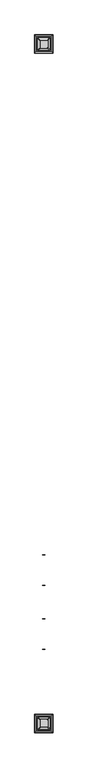
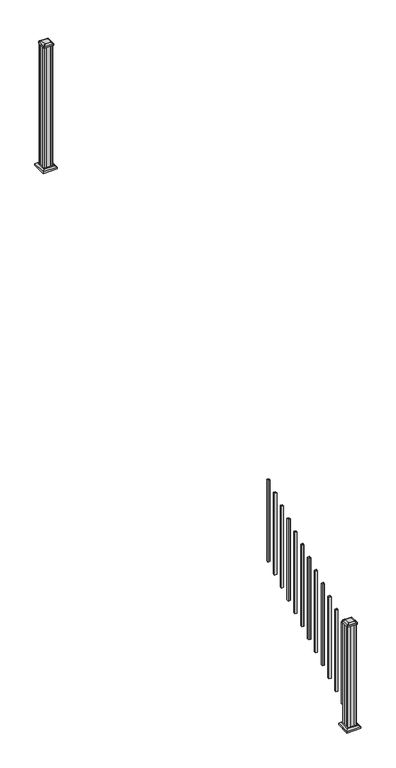
"""IFC4 building model written with IfcOpenShell, lengths in millimetres: railing geometry."""

from ifc_helpers import new_model, si_unit, point, frame, frame_2d, origin, place, context, project, spatial, polyline, circle_curve, trimmed, segment, composite_curve, outline, extrude, faceted_brep, source, transform, mapped, element, save
from ifc_brep_helpers import plane_surface, extruded_surface, advanced_brep


def railing_3543c6df(model_context):
    return source(origin(), model_context, "Body", "SolidModel", [
        extrude(outline(polyline([(9747.0692659, 3058.5055319), (9747.0692659, 3077.5555319), (9766.1192659, 3077.5555319), (9766.1192659, 3058.5055319), (9747.0692659, 3058.5055319)]), holes=[polyline([(9747.4661409, 3058.9024069), (9765.7223909, 3058.9024069), (9765.7223909, 3077.1586569), (9747.4661409, 3077.1586569), (9747.4661409, 3058.9024069)])]), frame((0.0, 0.0, 987.0681003), z_axis=(0.0, 0.0, 1.0), x_axis=(1.0, 0.0, 0.0)), (0.0, 0.0, 1.0), 812.8041219),
        extrude(outline(polyline([(9747.0692659, 2947.3805319), (9747.0692659, 2966.4305319), (9766.1192659, 2966.4305319), (9766.1192659, 2947.3805319), (9747.0692659, 2947.3805319)]), holes=[polyline([(9747.4661409, 2947.7774069), (9765.7223909, 2947.7774069), (9765.7223909, 2966.0336569), (9747.4661409, 2966.0336569), (9747.4661409, 2947.7774069)])]), frame((0.0, 0.0, 925.3319892), z_axis=(0.0, 0.0, 1.0), x_axis=(1.0, 0.0, 0.0)), (0.0, 0.0, 1.0), 812.8041219),
        extrude(outline(polyline([(9747.0692659, 2836.2555319), (9747.0692659, 2855.3055319), (9766.1192659, 2855.3055319), (9766.1192659, 2836.2555319), (9747.0692659, 2836.2555319)]), holes=[polyline([(9747.4661409, 2836.6524069), (9765.7223909, 2836.6524069), (9765.7223909, 2854.9086569), (9747.4661409, 2854.9086569), (9747.4661409, 2836.6524069)])]), frame((0.0, 0.0, 863.5958781), z_axis=(0.0, 0.0, 1.0), x_axis=(1.0, 0.0, 0.0)), (0.0, 0.0, 1.0), 812.8041219),
        extrude(outline(polyline([(9747.0692659, 2725.1305319), (9747.0692659, 2744.1805319), (9766.1192659, 2744.1805319), (9766.1192659, 2725.1305319), (9747.0692659, 2725.1305319)]), holes=[polyline([(9747.4661409, 2725.5274069), (9765.7223909, 2725.5274069), (9765.7223909, 2743.7836569), (9747.4661409, 2743.7836569), (9747.4661409, 2725.5274069)])]), frame((0.0, 0.0, 801.859767), z_axis=(0.0, 0.0, 1.0), x_axis=(1.0, 0.0, 0.0)), (0.0, 0.0, 1.0), 812.8041219),
        extrude(outline(polyline([(9747.0692659, 2614.0055319), (9747.0692659, 2633.0555319), (9766.1192659, 2633.0555319), (9766.1192659, 2614.0055319), (9747.0692659, 2614.0055319)]), holes=[polyline([(9747.4661409, 2614.4024069), (9765.7223909, 2614.4024069), (9765.7223909, 2632.6586569), (9747.4661409, 2632.6586569), (9747.4661409, 2614.4024069)])]), frame((0.0, 0.0, 740.1236558), z_axis=(0.0, 0.0, 1.0), x_axis=(1.0, 0.0, 0.0)), (0.0, 0.0, 1.0), 812.8041219),
        extrude(outline(polyline([(9747.0692659, 2502.8805319), (9747.0692659, 2521.9305319), (9766.1192659, 2521.9305319), (9766.1192659, 2502.8805319), (9747.0692659, 2502.8805319)]), holes=[polyline([(9747.4661409, 2503.2774069), (9765.7223909, 2503.2774069), (9765.7223909, 2521.5336569), (9747.4661409, 2521.5336569), (9747.4661409, 2503.2774069)])]), frame((0.0, 0.0, 678.3875447), z_axis=(0.0, 0.0, 1.0), x_axis=(1.0, 0.0, 0.0)), (0.0, 0.0, 1.0), 812.8041219),
        extrude(outline(polyline([(9747.0692659, 2391.7555319), (9747.0692659, 2410.8055319), (9766.1192659, 2410.8055319), (9766.1192659, 2391.7555319), (9747.0692659, 2391.7555319)]), holes=[polyline([(9747.4661409, 2392.1524069), (9765.7223909, 2392.1524069), (9765.7223909, 2410.4086569), (9747.4661409, 2410.4086569), (9747.4661409, 2392.1524069)])]), frame((0.0, 0.0, 616.6514336), z_axis=(0.0, 0.0, 1.0), x_axis=(1.0, 0.0, 0.0)), (0.0, 0.0, 1.0), 812.8041219),
        extrude(outline(polyline([(9747.0692659, 2280.6305319), (9747.0692659, 2299.6805319), (9766.1192659, 2299.6805319), (9766.1192659, 2280.6305319), (9747.0692659, 2280.6305319)]), holes=[polyline([(9747.4661409, 2281.0274069), (9765.7223909, 2281.0274069), (9765.7223909, 2299.2836569), (9747.4661409, 2299.2836569), (9747.4661409, 2281.0274069)])]), frame((0.0, 0.0, 554.9153225), z_axis=(0.0, 0.0, 1.0), x_axis=(1.0, 0.0, 0.0)), (0.0, 0.0, 1.0), 812.8041219),
        extrude(outline(polyline([(9747.0692659, 2169.5055319), (9747.0692659, 2188.5555319), (9766.1192659, 2188.5555319), (9766.1192659, 2169.5055319), (9747.0692659, 2169.5055319)]), holes=[polyline([(9747.4661409, 2169.9024069), (9765.7223909, 2169.9024069), (9765.7223909, 2188.1586569), (9747.4661409, 2188.1586569), (9747.4661409, 2169.9024069)])]), frame((0.0, 0.0, 493.1792114), z_axis=(0.0, 0.0, 1.0), x_axis=(1.0, 0.0, 0.0)), (0.0, 0.0, 1.0), 812.8041219),
        extrude(outline(polyline([(9747.0692659, 2058.3805319), (9747.0692659, 2077.4305319), (9766.1192659, 2077.4305319), (9766.1192659, 2058.3805319), (9747.0692659, 2058.3805319)]), holes=[polyline([(9747.4661409, 2058.7774069), (9765.7223909, 2058.7774069), (9765.7223909, 2077.0336569), (9747.4661409, 2077.0336569), (9747.4661409, 2058.7774069)])]), frame((0.0, 0.0, 431.4431003), z_axis=(0.0, 0.0, 1.0), x_axis=(1.0, 0.0, 0.0)), (0.0, 0.0, 1.0), 812.8041219),
        extrude(outline(polyline([(9747.0692659, 1947.2555319), (9747.0692659, 1966.3055319), (9766.1192659, 1966.3055319), (9766.1192659, 1947.2555319), (9747.0692659, 1947.2555319)]), holes=[polyline([(9747.4661409, 1947.6524069), (9765.7223909, 1947.6524069), (9765.7223909, 1965.9086569), (9747.4661409, 1965.9086569), (9747.4661409, 1947.6524069)])]), frame((0.0, 0.0, 369.7069892), z_axis=(0.0, 0.0, 1.0), x_axis=(1.0, 0.0, 0.0)), (0.0, 0.0, 1.0), 812.8041219),
        extrude(outline(polyline([(9747.0692659, 1836.1305319), (9747.0692659, 1855.1805319), (9766.1192659, 1855.1805319), (9766.1192659, 1836.1305319), (9747.0692659, 1836.1305319)]), holes=[polyline([(9747.4661409, 1836.5274069), (9765.7223909, 1836.5274069), (9765.7223909, 1854.7836569), (9747.4661409, 1854.7836569), (9747.4661409, 1836.5274069)])]), frame((0.0, 0.0, 307.9708781), z_axis=(0.0, 0.0, 1.0), x_axis=(1.0, 0.0, 0.0)), (0.0, 0.0, 1.0), 812.8041219),
        extrude(outline(polyline([(9796.2817659, 6655.7805319), (9776.6602659, 6655.7805319), (9775.8982659, 6657.3680319), (9737.2902659, 6657.3680319), (9736.5282659, 6655.7805319), (9716.9067659, 6655.7805319), (9715.3192659, 6657.3680319), (9715.3192659, 6676.9895319), (9716.9067659, 6677.7515319), (9716.9067659, 6716.3595319), (9715.3192659, 6717.1215319), (9715.3192659, 6736.7430319), (9716.9067659, 6738.3305319), (9736.5282659, 6738.3305319), (9737.2902659, 6736.7430319), (9775.8982659, 6736.7430319), (9776.6602659, 6738.3305319), (9796.2817659, 6738.3305319), (9797.8692659, 6736.7430319), (9797.8692659, 6717.1215319), (9796.2817659, 6716.3595319), (9796.2817659, 6677.7515319), (9797.8692659, 6676.9895319), (9797.8692659, 6657.3680319), (9796.2817659, 6655.7805319)])), frame((0.0, 0.0, 2709.3333333), z_axis=(0.0, 0.0, 1.0), x_axis=(1.0, 0.0, 0.0)), (0.0, 0.0, 1.0), 1223.6281519),
        faceted_brep([(9704.0083284, 6644.4695944, 2737.9083333), (9809.1802034, 6644.4695944, 2737.9083333), (9809.1802034, 6749.6414694, 2737.9083333), (9704.0083284, 6749.6414694, 2737.9083333), (9689.9688753, 6630.4301413, 2724.5733333), (9689.9688753, 6763.6809225, 2724.5733333), (9823.2196565, 6763.6809225, 2724.5733333), (9823.2196565, 6630.4301413, 2724.5733333)], [[[0, 1, 2, 3]], [[4, 5, 6, 7]], [[4, 7, 1, 0]], [[7, 6, 2, 1]], [[6, 5, 3, 2]], [[5, 4, 0, 3]]]),
        extrude(outline(polyline([(9689.9688753, 6630.4301413), (9689.9688753, 6763.6809225), (9823.2196565, 6763.6809225), (9823.2196565, 6630.4301413), (9689.9688753, 6630.4301413)])), frame((0.0, 0.0, 2709.3333333), z_axis=(0.0, 0.0, 1.0), x_axis=(1.0, 0.0, 0.0)), (0.0, 0.0, 1.0), 15.24),
        advanced_brep(
        [(9782.3911409, 6668.0836569, 3961.5364852), (9785.5661409, 6671.2586569, 3961.5364852), (9785.5661409, 6722.8524069, 3961.5364852), (9782.3911409, 6726.0274069, 3961.5364852), (9730.7973909, 6726.0274069, 3961.5364852), (9727.6223909, 6722.8524069, 3961.5364852), (9727.6223909, 6671.2586569, 3961.5364852), (9730.7973909, 6668.0836569, 3961.5364852), (9798.6630159, 6651.8117819, 3950.2334852), (9714.5255159, 6651.8117819, 3950.2334852), (9711.3505159, 6654.9867819, 3950.2334852), (9711.3505159, 6739.1242819, 3950.2334852), (9714.5255159, 6742.2992819, 3950.2334852), (9798.6630159, 6742.2992819, 3950.2334852), (9801.8380159, 6739.1242819, 3950.2334852), (9801.8380159, 6654.9867819, 3950.2334852)],
        [
            (0, 1, circle_curve(frame((9782.3911409, 6671.2586569, 3961.5364852), z_axis=(0.0, 0.0, 1.0), x_axis=(0.0, 1.0, 0.0)), 3.175)),
            (1, 2),
            (2, 3, circle_curve(frame((9782.3911409, 6722.8524069, 3961.5364852), z_axis=(0.0, 0.0, 1.0), x_axis=(0.0, 1.0, 0.0)), 3.175)),
            (3, 4),
            (4, 5, circle_curve(frame((9730.7973909, 6722.8524069, 3961.5364852), z_axis=(0.0, 0.0, 1.0), x_axis=(0.0, 1.0, 0.0)), 3.175)),
            (5, 6),
            (6, 7, circle_curve(frame((9730.7973909, 6671.2586569, 3961.5364852), z_axis=(0.0, 0.0, 1.0), x_axis=(0.0, 1.0, 0.0)), 3.175)),
            (7, 0),
            (8, 9),
            (9, 10, circle_curve(frame((9714.5255159, 6654.9867819, 3950.2334852), z_axis=(0.0, 0.0, -1.0), x_axis=(0.0, 1.0, 0.0)), 3.175)),
            (10, 11),
            (11, 12, circle_curve(frame((9714.5255159, 6739.1242819, 3950.2334852), z_axis=(0.0, 0.0, -1.0), x_axis=(0.0, 1.0, 0.0)), 3.175)),
            (12, 13),
            (13, 14, circle_curve(frame((9798.6630159, 6739.1242819, 3950.2334852), z_axis=(0.0, 0.0, -1.0), x_axis=(0.0, 1.0, 0.0)), 3.175)),
            (14, 15),
            (15, 8, circle_curve(frame((9798.6630159, 6654.9867819, 3950.2334852), z_axis=(0.0, 0.0, -1.0), x_axis=(0.0, 1.0, 0.0)), 3.175)),
            (15, 1),
            (0, 8),
            (14, 2),
            (13, 3),
            (12, 4),
            (11, 5),
            (10, 6),
            (9, 7),
        ],
        [
            plane_surface(frame((9756.5942659, 6697.0555319, 3961.5364852), z_axis=(0.0, 0.0, 1.0), x_axis=(1.0, 0.0, 0.0))),
            plane_surface(frame((9756.5942659, 6697.0555319, 3950.2334852), z_axis=(0.0, 0.0, -1.0), x_axis=(1.0, 0.0, 0.0))),
            extruded_surface(trimmed(circle_curve(frame((9798.6630159, 6654.9867819, 3950.2334852), z_axis=(0.0, 0.0, 1.0), x_axis=(0.0, 1.0, 0.0)), 3.175), [point((9798.6630159, 6651.8117819, 3950.2334852))], [point((9801.8380159, 6654.9867819, 3950.2334852))], True, "CARTESIAN"), (-16.271875000000364, 16.271874999999454, 11.302999999999884), 25.637972638865996),
            plane_surface(frame((9801.8380159, 6697.0555319, 3950.2334852), z_axis=(0.5705009161540687, 0.0, 0.8212969649690472), x_axis=(0.0, 1.0, 0.0))),
            extruded_surface(trimmed(circle_curve(frame((9798.6630159, 6739.1242819, 3950.2334852), z_axis=(0.0, 0.0, 1.0), x_axis=(0.0, 1.0, 0.0)), 3.175), [point((9801.8380159, 6739.1242819, 3950.2334852))], [point((9798.6630159, 6742.2992819, 3950.2334852))], True, "CARTESIAN"), (-16.271875000000364, -16.271875000000364, 11.302999999999884), 25.63797263886657),
            plane_surface(frame((9756.5942659, 6742.2992819, 3950.2334852), z_axis=(0.0, 0.5705009161540291, 0.8212969649690747), x_axis=(-1.0, 0.0, 0.0))),
            extruded_surface(trimmed(circle_curve(frame((9714.5255159, 6739.1242819, 3950.2334852), z_axis=(0.0, 0.0, 1.0), x_axis=(0.0, 1.0, 0.0)), 3.175), [point((9714.5255159, 6742.2992819, 3950.2334852))], [point((9711.3505159, 6739.1242819, 3950.2334852))], True, "CARTESIAN"), (16.271874999998545, -16.271875000000364, 11.302999999999884), 25.63797263886542),
            plane_surface(frame((9711.3505159, 6697.0555319, 3950.2334852), z_axis=(-0.5705009161540233, 0.0, 0.8212969649690787), x_axis=(0.0, -1.0, 0.0))),
            extruded_surface(trimmed(circle_curve(frame((9714.5255159, 6654.9867819, 3950.2334852), z_axis=(0.0, 0.0, 1.0), x_axis=(0.0, 1.0, 0.0)), 3.175), [point((9711.3505159, 6654.9867819, 3950.2334852))], [point((9714.5255159, 6651.8117819, 3950.2334852))], True, "CARTESIAN"), (16.271874999998545, 16.271874999999454, 11.302999999999884), 25.63797263886484),
            plane_surface(frame((9756.5942659, 6651.8117819, 3950.2334852), z_axis=(0.0, -0.570500916154034, 0.8212969649690713), x_axis=(1.0, 0.0, 0.0))),
        ],
        [
            (0, [[1, 2, 3, 4, 5, 6, 7, 8]]),
            (1, [[9, 10, 11, 12, 13, 14, 15, 16]]),
            (2, [[-16, 17, -1, 18]]),
            (3, [[-15, 19, -2, -17]]),
            (4, [[-14, 20, -3, -19]]),
            (5, [[-13, 21, -4, -20]]),
            (6, [[-12, 22, -5, -21]]),
            (7, [[-11, 23, -6, -22]]),
            (8, [[-10, 24, -7, -23]]),
            (9, [[-9, -18, -8, -24]]),
        ],
    ),
        extrude(outline(composite_curve([segment(polyline([(9798.6630159, 6651.8117819), (9714.5255159, 6651.8117819)]), True, "CONTINUOUS"), segment(trimmed(circle_curve(frame_2d((9714.5255159, 6654.9867819)), 3.175), [point((9714.5255159, 6651.8117819))], [point((9711.3505159, 6654.9867819))], False, "CARTESIAN"), True, "CONTINUOUS"), segment(polyline([(9711.3505159, 6654.9867819), (9711.3505159, 6739.1242819)]), True, "CONTINUOUS"), segment(trimmed(circle_curve(frame_2d((9714.5255159, 6739.1242819)), 3.175), [point((9711.3505159, 6739.1242819))], [point((9714.5255159, 6742.2992819))], False, "CARTESIAN"), True, "CONTINUOUS"), segment(polyline([(9714.5255159, 6742.2992819), (9798.6630159, 6742.2992819)]), True, "CONTINUOUS"), segment(trimmed(circle_curve(frame_2d((9798.6630159, 6739.1242819)), 3.175), [point((9798.6630159, 6742.2992819))], [point((9801.8380159, 6739.1242819))], False, "CARTESIAN"), True, "CONTINUOUS"), segment(polyline([(9801.8380159, 6739.1242819), (9801.8380159, 6654.9867819)]), True, "CONTINUOUS"), segment(trimmed(circle_curve(frame_2d((9798.6630159, 6654.9867819)), 3.175), [point((9801.8380159, 6654.9867819))], [point((9798.6630159, 6651.8117819))], False, "CARTESIAN"), True, "CONTINUOUS")], self_intersect=False)), frame((0.0, 0.0, 3932.9614852), z_axis=(0.0, 0.0, 1.0), x_axis=(1.0, 0.0, 0.0)), (0.0, 0.0, 1.0), 17.272),
        faceted_brep([(9704.0083284, 1685.1195944, 174.9777778), (9809.1802034, 1685.1195944, 174.9777778), (9809.1802034, 1790.2914694, 174.9777778), (9704.0083284, 1790.2914694, 174.9777778), (9689.9688753, 1671.0801413, 161.6427778), (9689.9688753, 1804.3309225, 161.6427778), (9823.2196565, 1804.3309225, 161.6427778), (9823.2196565, 1671.0801413, 161.6427778)], [[[0, 1, 2, 3]], [[4, 5, 6, 7]], [[4, 7, 1, 0]], [[7, 6, 2, 1]], [[6, 5, 3, 2]], [[5, 4, 0, 3]]]),
        extrude(outline(polyline([(9689.9688753, 1671.0801413), (9689.9688753, 1804.3309225), (9823.2196565, 1804.3309225), (9823.2196565, 1671.0801413), (9689.9688753, 1671.0801413)])), frame((0.0, 0.0, 146.4027778), z_axis=(0.0, 0.0, 1.0), x_axis=(1.0, 0.0, 0.0)), (0.0, 0.0, 1.0), 15.24),
        advanced_brep(
        [(9782.3911409, 1708.7336569, 1206.3420408), (9785.5661409, 1711.9086569, 1206.3420408), (9785.5661409, 1763.5024069, 1206.3420408), (9782.3911409, 1766.6774069, 1206.3420408), (9730.7973909, 1766.6774069, 1206.3420408), (9727.6223909, 1763.5024069, 1206.3420408), (9727.6223909, 1711.9086569, 1206.3420408), (9730.7973909, 1708.7336569, 1206.3420408), (9798.6630159, 1692.4617819, 1195.0390408), (9714.5255159, 1692.4617819, 1195.0390408), (9711.3505159, 1695.6367819, 1195.0390408), (9711.3505159, 1779.7742819, 1195.0390408), (9714.5255159, 1782.9492819, 1195.0390408), (9798.6630159, 1782.9492819, 1195.0390408), (9801.8380159, 1779.7742819, 1195.0390408), (9801.8380159, 1695.6367819, 1195.0390408)],
        [
            (0, 1, circle_curve(frame((9782.3911409, 1711.9086569, 1206.3420408), z_axis=(0.0, 0.0, 1.0), x_axis=(0.0, 1.0, 0.0)), 3.175)),
            (1, 2),
            (2, 3, circle_curve(frame((9782.3911409, 1763.5024069, 1206.3420408), z_axis=(0.0, 0.0, 1.0), x_axis=(0.0, 1.0, 0.0)), 3.175)),
            (3, 4),
            (4, 5, circle_curve(frame((9730.7973909, 1763.5024069, 1206.3420408), z_axis=(0.0, 0.0, 1.0), x_axis=(0.0, 1.0, 0.0)), 3.175)),
            (5, 6),
            (6, 7, circle_curve(frame((9730.7973909, 1711.9086569, 1206.3420408), z_axis=(0.0, 0.0, 1.0), x_axis=(0.0, 1.0, 0.0)), 3.175)),
            (7, 0),
            (8, 9),
            (9, 10, circle_curve(frame((9714.5255159, 1695.6367819, 1195.0390408), z_axis=(0.0, 0.0, -1.0), x_axis=(0.0, 1.0, 0.0)), 3.175)),
            (10, 11),
            (11, 12, circle_curve(frame((9714.5255159, 1779.7742819, 1195.0390408), z_axis=(0.0, 0.0, -1.0), x_axis=(0.0, 1.0, 0.0)), 3.175)),
            (12, 13),
            (13, 14, circle_curve(frame((9798.6630159, 1779.7742819, 1195.0390408), z_axis=(0.0, 0.0, -1.0), x_axis=(0.0, 1.0, 0.0)), 3.175)),
            (14, 15),
            (15, 8, circle_curve(frame((9798.6630159, 1695.6367819, 1195.0390408), z_axis=(0.0, 0.0, -1.0), x_axis=(0.0, 1.0, 0.0)), 3.175)),
            (15, 1),
            (0, 8),
            (14, 2),
            (13, 3),
            (12, 4),
            (11, 5),
            (10, 6),
            (9, 7),
        ],
        [
            plane_surface(frame((9756.5942659, 1737.7055319, 1206.3420408), z_axis=(0.0, 0.0, 1.0), x_axis=(1.0, 0.0, 0.0))),
            plane_surface(frame((9756.5942659, 1737.7055319, 1195.0390408), z_axis=(0.0, 0.0, -1.0), x_axis=(1.0, 0.0, 0.0))),
            extruded_surface(trimmed(circle_curve(frame((9798.6630159, 1695.6367819, 1195.0390408), z_axis=(0.0, 0.0, 1.0), x_axis=(0.0, 1.0, 0.0)), 3.175), [point((9798.6630159, 1692.4617819, 1195.0390408))], [point((9801.8380159, 1695.6367819, 1195.0390408))], True, "CARTESIAN"), (-16.271875000000364, 16.271875000000136, 11.302999999999884), 25.637972638866426),
            plane_surface(frame((9801.8380159, 1737.7055319, 1195.0390408), z_axis=(0.5705009161540778, 0.0, 0.8212969649690408), x_axis=(0.0, 1.0, 0.0))),
            extruded_surface(trimmed(circle_curve(frame((9798.6630159, 1779.7742819, 1195.0390408), z_axis=(0.0, 0.0, 1.0), x_axis=(0.0, 1.0, 0.0)), 3.175), [point((9801.8380159, 1779.7742819, 1195.0390408))], [point((9798.6630159, 1782.9492819, 1195.0390408))], True, "CARTESIAN"), (-16.271875000000364, -16.27187499999991, 11.302999999999884), 25.637972638866284),
            plane_surface(frame((9756.5942659, 1782.9492819, 1195.0390408), z_axis=(0.0, 0.5705009161540291, 0.8212969649690747), x_axis=(-1.0, 0.0, 0.0))),
            extruded_surface(trimmed(circle_curve(frame((9714.5255159, 1779.7742819, 1195.0390408), z_axis=(0.0, 0.0, 1.0), x_axis=(0.0, 1.0, 0.0)), 3.175), [point((9714.5255159, 1782.9492819, 1195.0390408))], [point((9711.3505159, 1779.7742819, 1195.0390408))], True, "CARTESIAN"), (16.271874999998545, -16.27187499999991, 11.302999999999884), 25.63797263886513),
            plane_surface(frame((9711.3505159, 1737.7055319, 1195.0390408), z_axis=(-0.5705009161540142, 0.0, 0.8212969649690851), x_axis=(0.0, -1.0, 0.0))),
            extruded_surface(trimmed(circle_curve(frame((9714.5255159, 1695.6367819, 1195.0390408), z_axis=(0.0, 0.0, 1.0), x_axis=(0.0, 1.0, 0.0)), 3.175), [point((9711.3505159, 1695.6367819, 1195.0390408))], [point((9714.5255159, 1692.4617819, 1195.0390408))], True, "CARTESIAN"), (16.271874999998545, 16.271875000000136, 11.302999999999884), 25.637972638865275),
            plane_surface(frame((9756.5942659, 1692.4617819, 1195.0390408), z_axis=(0.0, -0.570500916154034, 0.8212969649690713), x_axis=(1.0, 0.0, 0.0))),
        ],
        [
            (0, [[1, 2, 3, 4, 5, 6, 7, 8]]),
            (1, [[9, 10, 11, 12, 13, 14, 15, 16]]),
            (2, [[-16, 17, -1, 18]]),
            (3, [[-15, 19, -2, -17]]),
            (4, [[-14, 20, -3, -19]]),
            (5, [[-13, 21, -4, -20]]),
            (6, [[-12, 22, -5, -21]]),
            (7, [[-11, 23, -6, -22]]),
            (8, [[-10, 24, -7, -23]]),
            (9, [[-9, -18, -8, -24]]),
        ],
    ),
        extrude(outline(composite_curve([segment(polyline([(9798.6630159, 1692.4617819), (9714.5255159, 1692.4617819)]), True, "CONTINUOUS"), segment(trimmed(circle_curve(frame_2d((9714.5255159, 1695.6367819)), 3.175), [point((9714.5255159, 1692.4617819))], [point((9711.3505159, 1695.6367819))], False, "CARTESIAN"), True, "CONTINUOUS"), segment(polyline([(9711.3505159, 1695.6367819), (9711.3505159, 1779.7742819)]), True, "CONTINUOUS"), segment(trimmed(circle_curve(frame_2d((9714.5255159, 1779.7742819)), 3.175), [point((9711.3505159, 1779.7742819))], [point((9714.5255159, 1782.9492819))], False, "CARTESIAN"), True, "CONTINUOUS"), segment(polyline([(9714.5255159, 1782.9492819), (9798.6630159, 1782.9492819)]), True, "CONTINUOUS"), segment(trimmed(circle_curve(frame_2d((9798.6630159, 1779.7742819)), 3.175), [point((9798.6630159, 1782.9492819))], [point((9801.8380159, 1779.7742819))], False, "CARTESIAN"), True, "CONTINUOUS"), segment(polyline([(9801.8380159, 1779.7742819), (9801.8380159, 1695.6367819)]), True, "CONTINUOUS"), segment(trimmed(circle_curve(frame_2d((9798.6630159, 1695.6367819)), 3.175), [point((9801.8380159, 1695.6367819))], [point((9798.6630159, 1692.4617819))], False, "CARTESIAN"), True, "CONTINUOUS")], self_intersect=False)), frame((0.0, 0.0, 1177.7670408), z_axis=(0.0, 0.0, 1.0), x_axis=(1.0, 0.0, 0.0)), (0.0, 0.0, 1.0), 17.272),
        extrude(outline(polyline([(9796.2817659, 1696.4305319), (9776.6602659, 1696.4305319), (9775.8982659, 1698.0180319), (9737.2902659, 1698.0180319), (9736.5282659, 1696.4305319), (9716.9067659, 1696.4305319), (9715.3192659, 1698.0180319), (9715.3192659, 1717.6395319), (9716.9067659, 1718.4015319), (9716.9067659, 1757.0095319), (9715.3192659, 1757.7715319), (9715.3192659, 1777.3930319), (9716.9067659, 1778.9805319), (9736.5282659, 1778.9805319), (9737.2902659, 1777.3930319), (9775.8982659, 1777.3930319), (9776.6602659, 1778.9805319), (9796.2817659, 1778.9805319), (9797.8692659, 1777.3930319), (9797.8692659, 1757.7715319), (9796.2817659, 1757.0095319), (9796.2817659, 1718.4015319), (9797.8692659, 1717.6395319), (9797.8692659, 1698.0180319), (9796.2817659, 1696.4305319)])), frame((0.0, 0.0, 146.4027778), z_axis=(0.0, 0.0, 1.0), x_axis=(1.0, 0.0, 0.0)), (0.0, 0.0, 1.0), 1031.364263),
    ])


if __name__ == "__main__":
    model = new_model("IFC4")
    model_context = context("Model", 3, world=origin())
    ifc_project = project(units=[si_unit("LENGTHUNIT", "METRE", prefix="MILLI")], contexts=[model_context])
    site = spatial("IfcSite", under=ifc_project)
    building = spatial("IfcBuilding", under=site)
    placement = place(None, origin())
    railing_shape = railing_3543c6df(model_context)
    element("IfcRailing", 1, at=placement, inside=building, context=model_context, shape_type="MappedRepresentation", body=[
        mapped(railing_shape, transform((0.0, 0.0, 0.0), x_axis=(1.0, 0.0, 0.0), y_axis=(0.0, 1.0, 0.0), z_axis=(0.0, 0.0, 1.0))),
    ])
    save(model, "model.ifc")
